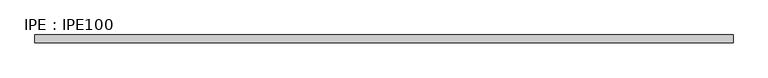
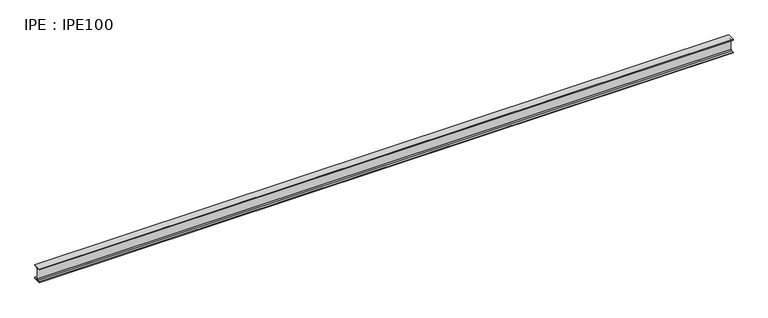
"""IFC4 building model written with IfcOpenShell, lengths in millimetres: beam geometry, IPE : IPE100."""

from ifc_helpers import new_model, si_unit, point, frame, frame_2d, origin, place, context, project, spatial, polyline, circle_curve, trimmed, segment, composite_curve, outline, extrude, source, transform, mapped, element, save


def ipe_ipe100_4a5e7b0d(model_context):
    return source(origin(), model_context, "Body", "SweptSolid", [
        extrude(outline(composite_curve([segment(polyline([(27.5, -44.3), (27.5, -50.0), (-27.5, -50.0), (-27.5, -44.3), (-9.05, -44.3)]), True, "CONTINUOUS"), segment(trimmed(circle_curve(frame_2d((-9.05, -37.3)), 7.0), [point((-9.05, -44.3))], [point((-2.05, -37.3))], True, "CARTESIAN"), True, "CONTINUOUS"), segment(polyline([(-2.05, -37.3), (-2.05, 37.3)]), True, "CONTINUOUS"), segment(trimmed(circle_curve(frame_2d((-9.05, 37.3)), 7.0), [point((-2.05, 37.3))], [point((-9.05, 44.3))], True, "CARTESIAN"), True, "CONTINUOUS"), segment(polyline([(-9.05, 44.3), (-27.5, 44.3), (-27.5, 50.0), (27.5, 50.0), (27.5, 44.3), (9.05, 44.3)]), True, "CONTINUOUS"), segment(trimmed(circle_curve(frame_2d((9.05, 37.3)), 7.0), [point((9.05, 44.3))], [point((2.05, 37.3))], True, "CARTESIAN"), True, "CONTINUOUS"), segment(polyline([(2.05, 37.3), (2.05, -37.3)]), True, "CONTINUOUS"), segment(trimmed(circle_curve(frame_2d((9.05, -37.3)), 7.0), [point((2.05, -37.3))], [point((9.05, -44.3))], True, "CARTESIAN"), True, "CONTINUOUS"), segment(polyline([(9.05, -44.3), (27.5, -44.3)]), True, "CONTINUOUS")], self_intersect=False)), frame((-2419.65, 0.0, 0.0), z_axis=(1.0, 0.0, 0.0), x_axis=(0.0, 1.0, 0.0)), (0.0, 0.0, 1.0), 4852.5),
    ])


if __name__ == "__main__":
    model = new_model("IFC4")
    model_context = context("Model", 3, world=origin())
    ifc_project = project(units=[si_unit("LENGTHUNIT", "METRE", prefix="MILLI")], contexts=[model_context])
    site = spatial("IfcSite", under=ifc_project)
    building = spatial("IfcBuilding", under=site)
    placement = place(None, origin())
    ipe_ipe100_shape = ipe_ipe100_4a5e7b0d(model_context)
    element("IfcBeam", 1, ObjectType="IPE : IPE100", at=placement, inside=building, context=model_context, shape_type="MappedRepresentation", body=[
        mapped(ipe_ipe100_shape, transform((0.0, 0.0, 0.0), x_axis=(1.0, 0.0, 0.0), y_axis=(0.0, 1.0, 0.0), z_axis=(0.0, 0.0, 1.0))),
    ])
    save(model, "model.ifc")
